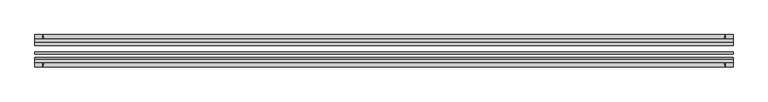
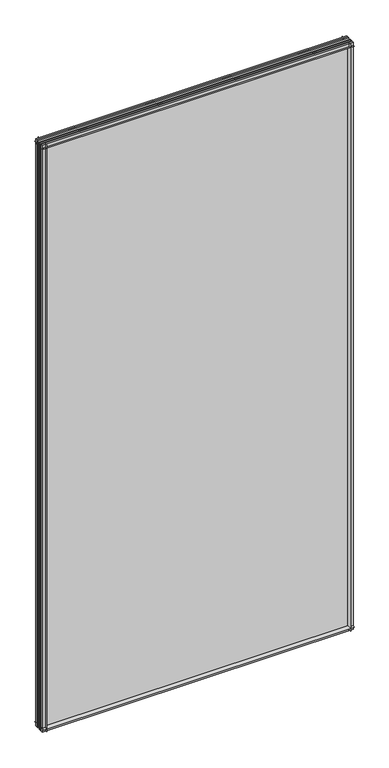
"""IFC4 building model written with IfcOpenShell, lengths in millimetres: plate geometry."""

from ifc_helpers import new_model, si_unit, point, frame, frame_2d, origin, place, context, project, spatial, polyline, circle_curve, trimmed, segment, composite_curve, outline, extrude, source, transform, mapped, element, save


def plate_c9d2a8dd(model_context):
    return source(origin(), model_context, "Body", "SweptSolid", [
        extrude(outline(composite_curve([segment(polyline([(-74.653775, 0.0), (-80.586498, 0.0)]), True, "CONTINUOUS"), segment(trimmed(circle_curve(frame_2d((-86.2543953, 32.273404)), 32.7673262), [point((-80.586498, 0.0))], [point((-69.878575, 3.8915405))], True, "CARTESIAN"), True, "CONTINUOUS"), segment(polyline([(-69.878575, 3.8915405), (-69.878575, -10.31875), (-74.653775, -10.31875), (-74.653775, 0.0)]), True, "CONTINUOUS")], self_intersect=False)), frame((-508.7794625, 0.0, 0.0), z_axis=(1.0, 0.0, 0.0), x_axis=(0.0, 1.0, 0.0)), (0.0, 0.0, 1.0), 1017.558925),
        extrude(outline(composite_curve([segment(polyline([(-44.478575, -10.31875), (-44.478575, 3.8915405)]), True, "CONTINUOUS"), segment(trimmed(circle_curve(frame_2d((-28.1027547, 32.273404)), 32.7673262), [point((-44.478575, 3.8915405))], [point((-33.770652, 0.0))], True, "CARTESIAN"), True, "CONTINUOUS"), segment(polyline([(-33.770652, 0.0), (-39.703375, 0.0), (-39.703375, -10.31875), (-44.478575, -10.31875)]), True, "CONTINUOUS")], self_intersect=False)), frame((-508.7794625, 0.0, 0.0), z_axis=(1.0, 0.0, 0.0), x_axis=(0.0, 1.0, 0.0)), (0.0, 0.0, 1.0), 1017.558925),
        extrude(outline(composite_curve([segment(trimmed(circle_curve(frame_2d((-86.2543953, 1977.495246)), 32.7673262), [point((-69.878575, 2005.8771095))], [point((-80.622775, 2009.775))], True, "CARTESIAN"), True, "CONTINUOUS"), segment(polyline([(-80.622775, 2009.775), (-74.653775, 2009.775), (-74.653775, 2020.8875), (-69.878575, 2020.8875), (-69.878575, 2005.8771095)]), True, "CONTINUOUS")], self_intersect=False)), frame((-508.7794625, 0.0, 0.0), z_axis=(1.0, 0.0, 0.0), x_axis=(0.0, 1.0, 0.0)), (0.0, 0.0, 1.0), 1017.558925),
        extrude(outline(composite_curve([segment(polyline([(-44.478575, 2005.8771095), (-44.478575, 2020.8875), (-39.703375, 2020.8875), (-39.703375, 2009.775), (-33.734375, 2009.775)]), True, "CONTINUOUS"), segment(trimmed(circle_curve(frame_2d((-28.1027547, 1977.495246)), 32.7673262), [point((-33.734375, 2009.775))], [point((-44.478575, 2005.8771095))], True, "CARTESIAN"), True, "CONTINUOUS")], self_intersect=False)), frame((-508.7794625, 0.0, 0.0), z_axis=(1.0, 0.0, 0.0), x_axis=(0.0, 1.0, 0.0)), (0.0, 0.0, 1.0), 1017.558925),
        extrude(outline(composite_curve([segment(polyline([(493.769072, -69.878575), (508.7794625, -69.878575), (508.7794625, -74.653775), (497.6669625, -74.653775), (497.6669625, -80.622775)]), True, "CONTINUOUS"), segment(trimmed(circle_curve(frame_2d((465.3872085, -86.2543953)), 32.7673262), [point((497.6669625, -80.622775))], [point((493.769072, -69.878575))], True, "CARTESIAN"), True, "CONTINUOUS")], self_intersect=False)), frame((0.0, 0.0, -10.31875), z_axis=(0.0, 0.0, 1.0), x_axis=(1.0, 0.0, 0.0)), (0.0, 0.0, 1.0), 2031.20625),
        extrude(outline(composite_curve([segment(trimmed(circle_curve(frame_2d((465.3872085, -28.1027547)), 32.7673262), [point((493.769072, -44.478575))], [point((497.6669625, -33.734375))], True, "CARTESIAN"), True, "CONTINUOUS"), segment(polyline([(497.6669625, -33.734375), (497.6669625, -39.703375), (508.7794625, -39.703375), (508.7794625, -44.478575), (493.769072, -44.478575)]), True, "CONTINUOUS")], self_intersect=False)), frame((0.0, 0.0, -10.31875), z_axis=(0.0, 0.0, 1.0), x_axis=(1.0, 0.0, 0.0)), (0.0, 0.0, 1.0), 2031.20625),
        extrude(outline(composite_curve([segment(trimmed(circle_curve(frame_2d((-465.3872085, -86.2543953)), 32.7673262), [point((-493.769072, -69.878575))], [point((-497.6669625, -80.622775))], True, "CARTESIAN"), True, "CONTINUOUS"), segment(polyline([(-497.6669625, -80.622775), (-497.6669625, -74.653775), (-508.7794625, -74.653775), (-508.7794625, -69.878575), (-493.769072, -69.878575)]), True, "CONTINUOUS")], self_intersect=False)), frame((0.0, 0.0, -10.31875), z_axis=(0.0, 0.0, 1.0), x_axis=(1.0, 0.0, 0.0)), (0.0, 0.0, 1.0), 2031.20625),
        extrude(outline(composite_curve([segment(polyline([(-493.769072, -44.478575), (-508.7794625, -44.478575), (-508.7794625, -39.703375), (-497.6669625, -39.703375), (-497.6669625, -33.734375)]), True, "CONTINUOUS"), segment(trimmed(circle_curve(frame_2d((-465.3872085, -28.1027547)), 32.7673262), [point((-497.6669625, -33.734375))], [point((-493.769072, -44.478575))], True, "CARTESIAN"), True, "CONTINUOUS")], self_intersect=False)), frame((0.0, 0.0, -10.31875), z_axis=(0.0, 0.0, 1.0), x_axis=(1.0, 0.0, 0.0)), (0.0, 0.0, 1.0), 2031.20625),
        extrude(outline(polyline([(-508.7794625, -44.478575), (508.7794625, -44.478575), (508.7794625, -49.241075), (-508.7794625, -49.241075), (-508.7794625, -44.478575)])), frame((0.0, 0.0, -10.31875), z_axis=(0.0, 0.0, 1.0), x_axis=(1.0, 0.0, 0.0)), (0.0, 0.0, 1.0), 2031.20625),
        extrude(outline(polyline([(508.7794625, -58.956575), (508.7794625, -62.131575), (-508.7794625, -62.131575), (-508.7794625, -58.956575), (508.7794625, -58.956575)])), frame((0.0, 0.0, -10.31875), z_axis=(0.0, 0.0, 1.0), x_axis=(1.0, 0.0, 0.0)), (0.0, 0.0, 1.0), 2031.20625),
        extrude(outline(polyline([(-508.7794625, -66.703575), (508.7794625, -66.703575), (508.7794625, -69.878575), (-508.7794625, -69.878575), (-508.7794625, -66.703575)])), frame((0.0, 0.0, -10.31875), z_axis=(0.0, 0.0, 1.0), x_axis=(1.0, 0.0, 0.0)), (0.0, 0.0, 1.0), 2031.20625),
    ])


if __name__ == "__main__":
    model = new_model("IFC4")
    model_context = context("Model", 3, world=origin())
    ifc_project = project(units=[si_unit("LENGTHUNIT", "METRE", prefix="MILLI")], contexts=[model_context])
    site = spatial("IfcSite", under=ifc_project)
    building = spatial("IfcBuilding", under=site)
    placement = place(None, origin())
    plate_shape = plate_c9d2a8dd(model_context)
    element("IfcPlate", 1, at=placement, inside=building, context=model_context, shape_type="MappedRepresentation", body=[
        mapped(plate_shape, transform((0.0, 0.0, 0.0), x_axis=(1.0, 0.0, 0.0), y_axis=(0.0, 1.0, 0.0), z_axis=(0.0, 0.0, 1.0))),
    ])
    save(model, "model.ifc")
